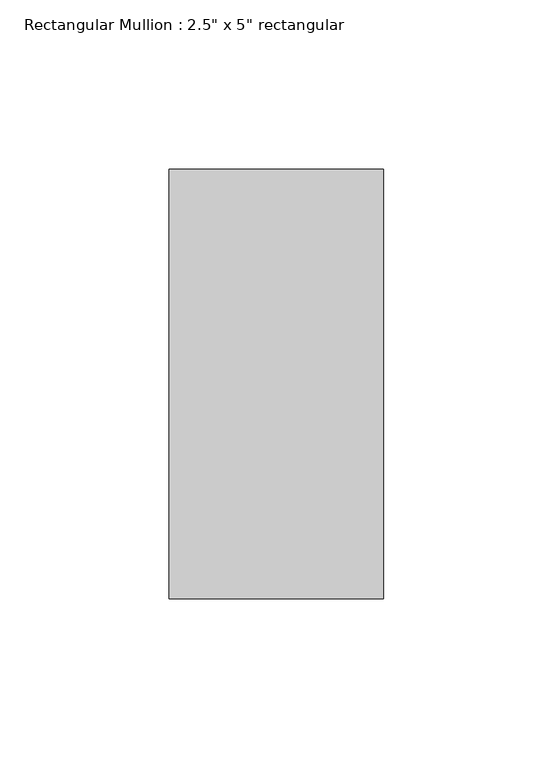
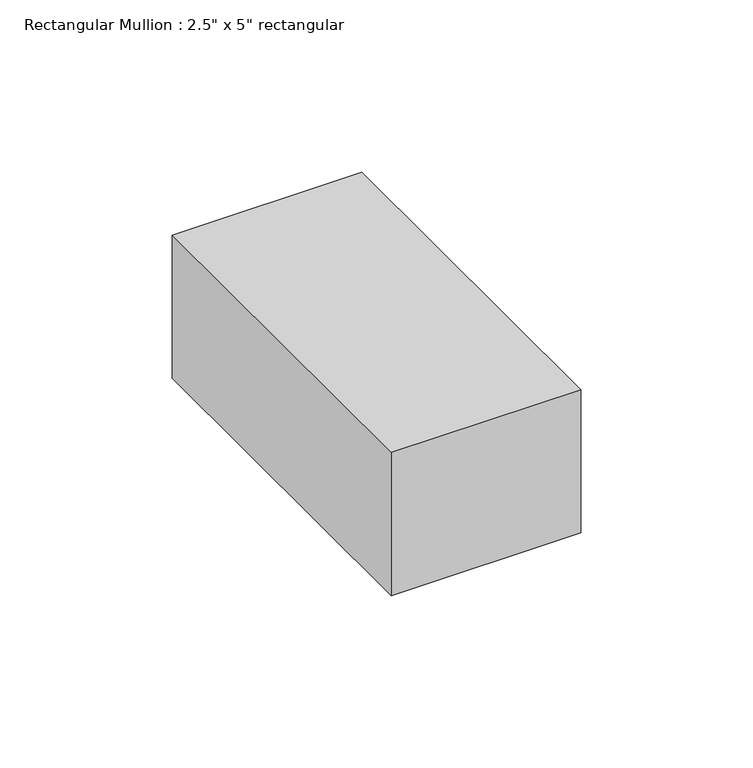
"""IFC4 building model written with IfcOpenShell, lengths in millimetres: member geometry."""

from ifc_helpers import new_model, si_unit, frame, origin, place, context, project, spatial, polyline, outline, extrude, source, transform, mapped, element, save


def member_67d1cd44(model_context):
    return source(origin(), model_context, "Body", "SweptSolid", [
        extrude(outline(polyline([(0.0, 63.5), (0.0, -63.5), (-63.5, -63.5), (-63.5, 63.5), (0.0, 63.5)])), frame((0.0, 0.0, -50.8), z_axis=(0.0, 0.0, 1.0), x_axis=(1.0, 0.0, 0.0)), (0.0, 0.0, 1.0), 50.8),
    ])


if __name__ == "__main__":
    model = new_model("IFC4")
    model_context = context("Model", 3, world=origin())
    ifc_project = project(units=[si_unit("LENGTHUNIT", "METRE", prefix="MILLI")], contexts=[model_context])
    site = spatial("IfcSite", under=ifc_project)
    building = spatial("IfcBuilding", under=site)
    placement = place(None, origin())
    member_shape = member_67d1cd44(model_context)
    element("IfcMember", 1, ObjectType="Rectangular Mullion : 2.5\" x 5\" rectangular", at=placement, inside=building, context=model_context, shape_type="MappedRepresentation", body=[
        mapped(member_shape, transform((0.0, 0.0, 0.0), x_axis=(1.0, 0.0, 0.0), y_axis=(0.0, 1.0, 0.0), z_axis=(0.0, 0.0, 1.0))),
    ])
    save(model, "model.ifc")
